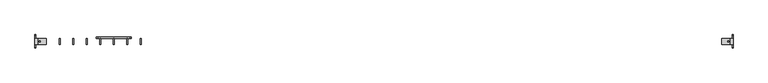
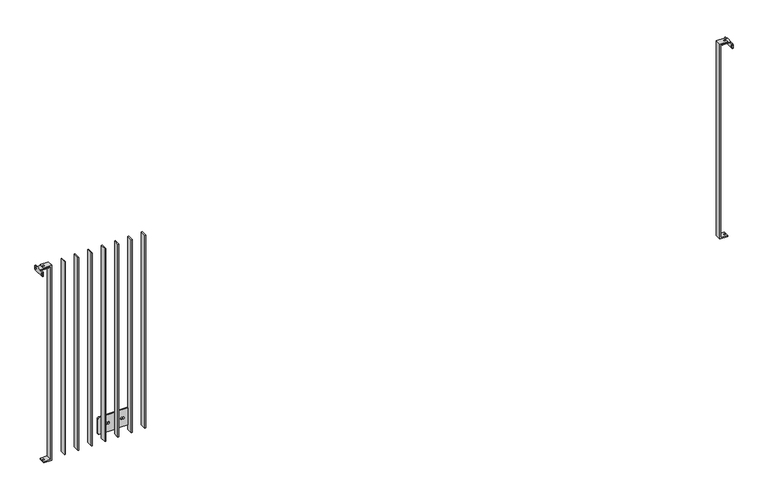
"""IFC4 building model written with IfcOpenShell, lengths in millimetres: railing geometry."""

from ifc_helpers import new_model, si_unit, frame, origin, place, context, project, spatial, polyline, circle_curve, outline, extrude, source, transform, mapped, element, save
from ifc_brep_helpers import plane_surface, cylinder_surface, revolved_surface, advanced_brep


def railing_ba596400(model_context):
    return source(origin(), model_context, "Body", "SolidModel", [
        extrude(outline(polyline([(8837.4711935, -1089.1783245), (8843.4711935, -1089.1783245), (8843.4711935, -1129.1783245), (8837.4711935, -1129.1783245), (8837.4711935, -1089.1783245)])), frame((0.0, 0.0, -182.0), z_axis=(0.0, 0.0, 1.0), x_axis=(1.0, 0.0, 0.0)), (0.0, 0.0, 1.0), 1374.0),
        extrude(outline(polyline([(8747.4711935, -1089.1783245), (8753.4711935, -1089.1783245), (8753.4711935, -1129.1783245), (8747.4711935, -1129.1783245), (8747.4711935, -1089.1783245)])), frame((0.0, 0.0, -182.0), z_axis=(0.0, 0.0, 1.0), x_axis=(1.0, 0.0, 0.0)), (0.0, 0.0, 1.0), 1374.0),
        advanced_brep(
        [(8657.4711935, -1129.1783245, 1192.0), (8657.4711935, -1129.1783245, -182.0), (8663.4711935, -1129.1783245, -182.0), (8663.4711935, -1129.1783245, 1192.0), (8657.4711935, -1089.1783245, 1192.0), (8663.4711935, -1089.1783245, 1192.0), (8663.4711935, -1089.1783245, -30.0), (8657.4711935, -1089.1783245, -30.0), (8663.4711935, -1089.1783245, -182.0), (8657.4711935, -1089.1783245, -182.0), (8657.4711935, -1089.1783245, -150.0), (8663.4711935, -1089.1783245, -150.0), (8765.4711935, -1081.1783245, -150.0), (8555.4711935, -1081.1783245, -150.0), (8545.4711935, -1081.1783245, -140.0), (8545.4711935, -1081.1783245, -40.0), (8555.4711935, -1081.1783245, -30.0), (8765.4711935, -1081.1783245, -30.0), (8775.4711935, -1081.1783245, -40.0), (8775.4711935, -1081.1783245, -140.0), (8615.4711935, -1081.1783245, -97.0), (8615.4711935, -1081.1783245, -83.0), (8605.4711935, -1081.1783245, -83.0), (8605.4711935, -1081.1783245, -97.0), (8705.4711935, -1081.1783245, -97.0), (8715.4711935, -1081.1783245, -97.0), (8715.4711935, -1081.1783245, -83.0), (8705.4711935, -1081.1783245, -83.0), (8765.4711935, -1089.1783245, -150.0), (8775.4711935, -1089.1783245, -140.0), (8775.4711935, -1089.1783245, -40.0), (8765.4711935, -1089.1783245, -30.0), (8705.4711935, -1089.1783245, -97.0), (8705.4711935, -1089.1783245, -83.0), (8715.4711935, -1089.1783245, -83.0), (8715.4711935, -1089.1783245, -97.0), (8555.4711935, -1089.1783245, -30.0), (8545.4711935, -1089.1783245, -40.0), (8545.4711935, -1089.1783245, -140.0), (8555.4711935, -1089.1783245, -150.0), (8615.4711935, -1089.1783245, -97.0), (8605.4711935, -1089.1783245, -97.0), (8605.4711935, -1089.1783245, -83.0), (8615.4711935, -1089.1783245, -83.0)],
        [
            (0, 1),
            (1, 2),
            (2, 3),
            (3, 0),
            (4, 5),
            (5, 6),
            (6, 7),
            (7, 4),
            (8, 9),
            (9, 10),
            (10, 11),
            (11, 8),
            (3, 5),
            (4, 0),
            (7, 10),
            (9, 1),
            (2, 8),
            (11, 6),
            (12, 13),
            (13, 14, circle_curve(frame((8555.4711935, -1081.1783245, -140.0), z_axis=(0.0, 1.0, 0.0), x_axis=(-1.0, 0.0, 0.0)), 10.0)),
            (14, 15),
            (15, 16, circle_curve(frame((8555.4711935, -1081.1783245, -40.0), z_axis=(0.0, 1.0, 0.0), x_axis=(-1.0, 0.0, 0.0)), 10.0)),
            (16, 17),
            (17, 18, circle_curve(frame((8765.4711935, -1081.1783245, -40.0), z_axis=(0.0, 1.0, 0.0), x_axis=(-1.0, 0.0, 0.0)), 10.0)),
            (18, 19),
            (19, 12, circle_curve(frame((8765.4711935, -1081.1783245, -140.0), z_axis=(0.0, 1.0, 0.0), x_axis=(-1.0, 0.0, 0.0)), 10.0)),
            (20, 21, circle_curve(frame((8615.4711935, -1081.1783245, -90.0), z_axis=(0.0, -1.0, 0.0), x_axis=(-1.0, 0.0, 0.0)), 7.0)),
            (21, 22),
            (22, 23, circle_curve(frame((8605.4711935, -1081.1783245, -90.0), z_axis=(0.0, -1.0, 0.0), x_axis=(-1.0, 0.0, 0.0)), 7.0)),
            (23, 20),
            (24, 25),
            (25, 26, circle_curve(frame((8715.4711935, -1081.1783245, -90.0), z_axis=(0.0, -1.0, 0.0), x_axis=(-1.0, 0.0, 0.0)), 7.0)),
            (26, 27),
            (27, 24, circle_curve(frame((8705.4711935, -1081.1783245, -90.0), z_axis=(0.0, -1.0, 0.0), x_axis=(-1.0, 0.0, 0.0)), 7.0)),
            (28, 29, circle_curve(frame((8765.4711935, -1089.1783245, -140.0), z_axis=(0.0, -1.0, 0.0), x_axis=(-1.0, 0.0, 0.0)), 10.0)),
            (29, 30),
            (30, 31, circle_curve(frame((8765.4711935, -1089.1783245, -40.0), z_axis=(0.0, -1.0, 0.0), x_axis=(-1.0, 0.0, 0.0)), 10.0)),
            (31, 6),
            (11, 28),
            (32, 33, circle_curve(frame((8705.4711935, -1089.1783245, -90.0), z_axis=(0.0, 1.0, 0.0), x_axis=(-1.0, 0.0, 0.0)), 7.0)),
            (33, 34),
            (34, 35, circle_curve(frame((8715.4711935, -1089.1783245, -90.0), z_axis=(0.0, 1.0, 0.0), x_axis=(-1.0, 0.0, 0.0)), 7.0)),
            (35, 32),
            (36, 37, circle_curve(frame((8555.4711935, -1089.1783245, -40.0), z_axis=(0.0, -1.0, 0.0), x_axis=(-1.0, 0.0, 0.0)), 10.0)),
            (37, 38),
            (38, 39, circle_curve(frame((8555.4711935, -1089.1783245, -140.0), z_axis=(0.0, -1.0, 0.0), x_axis=(-1.0, 0.0, 0.0)), 10.0)),
            (39, 10),
            (7, 36),
            (40, 41),
            (41, 42, circle_curve(frame((8605.4711935, -1089.1783245, -90.0), z_axis=(0.0, 1.0, 0.0), x_axis=(-1.0, 0.0, 0.0)), 7.0)),
            (42, 43),
            (43, 40, circle_curve(frame((8615.4711935, -1089.1783245, -90.0), z_axis=(0.0, 1.0, 0.0), x_axis=(-1.0, 0.0, 0.0)), 7.0)),
            (12, 28),
            (39, 13),
            (38, 14),
            (37, 15),
            (36, 16),
            (31, 17),
            (30, 18),
            (29, 19),
            (20, 40),
            (43, 21),
            (42, 22),
            (41, 23),
            (24, 32),
            (35, 25),
            (34, 26),
            (33, 27),
        ],
        [
            plane_surface(frame((8657.4711935, -1129.1783245, 1192.0), z_axis=(0.0, -1.0, 0.0), x_axis=(-1.0, 0.0, 0.0))),
            plane_surface(frame((8657.4711935, -1089.1783245, 1192.0), z_axis=(0.0, 1.0, 0.0), x_axis=(1.0, 0.0, 0.0))),
            plane_surface(frame((8657.4711935, -1089.1783245, 1192.0), z_axis=(0.0, 0.0, 1.0), x_axis=(0.0, -1.0, 0.0))),
            plane_surface(frame((8657.4711935, -1089.1783245, -182.0), z_axis=(-1.0, 0.0, 0.0), x_axis=(0.0, -1.0, 0.0))),
            plane_surface(frame((8663.4711935, -1089.1783245, 1192.0), z_axis=(1.0, 0.0, 0.0), x_axis=(0.0, -1.0, 0.0))),
            plane_surface(frame((8570.4711935, -1081.1783245, -150.0), z_axis=(0.0, 1.0, 0.0), x_axis=(-1.0, 0.0, 0.0))),
            plane_surface(frame((8570.4711935, -1089.1783245, -150.0), z_axis=(0.0, -1.0, 0.0), x_axis=(1.0, 0.0, 0.0))),
            plane_surface(frame((8765.4711935, -1081.1783245, -150.0), z_axis=(0.0, 0.0, -1.0), x_axis=(0.0, -1.0, 0.0))),
            cylinder_surface(frame((8555.4711935, -1089.1783245, -140.0), z_axis=(0.0, 1.0, 0.0), x_axis=(-1.0, 0.0, 0.0)), 10.0),
            plane_surface(frame((8545.4711935, -1081.1783245, -140.0), z_axis=(-1.0, 0.0, 0.0), x_axis=(0.0, -1.0, 0.0))),
            cylinder_surface(frame((8555.4711935, -1089.1783245, -40.0), z_axis=(0.0, 1.0, 0.0), x_axis=(-1.0, 0.0, 0.0)), 10.0),
            plane_surface(frame((8555.4711935, -1081.1783245, -30.0), z_axis=(0.0, 0.0, 1.0), x_axis=(0.0, -1.0, 0.0))),
            cylinder_surface(frame((8765.4711935, -1089.1783245, -40.0), z_axis=(0.0, 1.0, 0.0), x_axis=(-1.0, 0.0, 0.0)), 10.0),
            plane_surface(frame((8775.4711935, -1081.1783245, -40.0), z_axis=(1.0, 0.0, 0.0), x_axis=(0.0, -1.0, 0.0))),
            cylinder_surface(frame((8765.4711935, -1089.1783245, -140.0), z_axis=(0.0, 1.0, 0.0), x_axis=(-1.0, 0.0, 0.0)), 10.0),
            revolved_surface(polyline([(8608.4711935, -1089.1783245, -90.0), (8608.4711935, -1081.1783245, -90.0)]), (8615.4711935, -1109.1783245, -90.0), (0.0, -1.0, 0.0)),
            plane_surface(frame((8615.4711935, -1081.1783245, -83.0), z_axis=(0.0, 0.0, -1.0), x_axis=(0.0, -1.0, 0.0))),
            revolved_surface(polyline([(8598.4711935, -1089.1783245, -90.0), (8598.4711935, -1081.1783245, -90.0)]), (8605.4711935, -1109.1783245, -90.0), (0.0, -1.0, 0.0)),
            plane_surface(frame((8605.4711935, -1081.1783245, -97.0), z_axis=(0.0, 0.0, 1.0), x_axis=(0.0, -1.0, 0.0))),
            plane_surface(frame((8705.4711935, -1081.1783245, -97.0), z_axis=(0.0, 0.0, 1.0), x_axis=(0.0, -1.0, 0.0))),
            revolved_surface(polyline([(8708.4711935, -1089.1783245, -90.0), (8708.4711935, -1081.1783245, -90.0)]), (8715.4711935, -1109.1783245, -90.0), (0.0, -1.0, 0.0)),
            plane_surface(frame((8715.4711935, -1081.1783245, -83.0), z_axis=(0.0, 0.0, -1.0), x_axis=(0.0, -1.0, 0.0))),
            revolved_surface(polyline([(8698.4711935, -1089.1783245, -90.0), (8698.4711935, -1081.1783245, -90.0)]), (8705.4711935, -1109.1783245, -90.0), (0.0, -1.0, 0.0)),
            plane_surface(frame((8663.4711935, -1089.1783245, -182.0), z_axis=(0.0, 0.0, -1.0), x_axis=(0.0, -1.0, 0.0))),
        ],
        [
            (0, [[1, 2, 3, 4]]),
            (1, [[5, 6, 7, 8]]),
            (1, [[9, 10, 11, 12]]),
            (2, [[-4, 13, -5, 14]]),
            (3, [[-1, -14, -8, 15, -10, 16]]),
            (4, [[-3, 17, -12, 18, -6, -13]]),
            (5, [[19, 20, 21, 22, 23, 24, 25, 26], [27, 28, 29, 30], [31, 32, 33, 34]]),
            (6, [[35, 36, 37, 38, -18, 39], [40, 41, 42, 43]]),
            (6, [[44, 45, 46, 47, -15, 48], [49, 50, 51, 52]]),
            (7, [[-19, 53, -39, -11, -47, 54]]),
            (8, [[-20, -54, -46, 55]]),
            (9, [[-21, -55, -45, 56]]),
            (10, [[-22, -56, -44, 57]]),
            (11, [[-23, -57, -48, -7, -38, 58]]),
            (12, [[-24, -58, -37, 59]]),
            (13, [[-25, -59, -36, 60]]),
            (14, [[-26, -60, -35, -53]]),
            (15, [[-27, 61, -52, 62]]),
            (16, [[-28, -62, -51, 63]]),
            (17, [[-29, -63, -50, 64]]),
            (18, [[-30, -64, -49, -61]]),
            (19, [[-31, 65, -43, 66]]),
            (20, [[-32, -66, -42, 67]]),
            (21, [[-33, -67, -41, 68]]),
            (22, [[-34, -68, -40, -65]]),
            (23, [[-2, -16, -9, -17]]),
        ],
    ),
        extrude(outline(polyline([(8567.4711935, -1089.1783245), (8573.4711935, -1089.1783245), (8573.4711935, -1129.1783245), (8567.4711935, -1129.1783245), (8567.4711935, -1089.1783245)])), frame((0.0, 0.0, -182.0), z_axis=(0.0, 0.0, 1.0), x_axis=(1.0, 0.0, 0.0)), (0.0, 0.0, 1.0), 1374.0),
        extrude(outline(polyline([(8477.4711935, -1089.1783245), (8483.4711935, -1089.1783245), (8483.4711935, -1129.1783245), (8477.4711935, -1129.1783245), (8477.4711935, -1089.1783245)])), frame((0.0, 0.0, -182.0), z_axis=(0.0, 0.0, 1.0), x_axis=(1.0, 0.0, 0.0)), (0.0, 0.0, 1.0), 1374.0),
        extrude(outline(polyline([(8387.4711935, -1089.1783245), (8393.4711935, -1089.1783245), (8393.4711935, -1129.1783245), (8387.4711935, -1129.1783245), (8387.4711935, -1089.1783245)])), frame((0.0, 0.0, -182.0), z_axis=(0.0, 0.0, 1.0), x_axis=(1.0, 0.0, 0.0)), (0.0, 0.0, 1.0), 1374.0),
        extrude(outline(polyline([(8297.4711935, -1089.1783245), (8303.4711935, -1089.1783245), (8303.4711935, -1129.1783245), (8297.4711935, -1129.1783245), (8297.4711935, -1089.1783245)])), frame((0.0, 0.0, -182.0), z_axis=(0.0, 0.0, 1.0), x_axis=(1.0, 0.0, 0.0)), (0.0, 0.0, 1.0), 1374.0),
        advanced_brep(
        [(12710.4711935, -1129.1783245, 1200.0), (12710.4711935, -1129.1783245, -190.0), (12763.4711935, -1129.1783245, -190.0), (12763.4711935, -1129.1783245, -182.0), (12716.4711935, -1129.1783245, -182.0), (12716.4711935, -1129.1783245, 1192.0), (12763.4711935, -1129.1783245, 1192.0), (12763.4711935, -1129.1783245, 1200.0), (12710.4711935, -1089.1783245, 1200.0), (12763.4711935, -1089.1783245, 1200.0), (12763.4711935, -1089.1783245, 1192.0), (12716.4711935, -1089.1783245, 1192.0), (12716.4711935, -1089.1783245, -182.0), (12763.4711935, -1089.1783245, -182.0), (12763.4711935, -1089.1783245, -190.0), (12710.4711935, -1089.1783245, -190.0), (12757.9711935, -1109.1783245, -190.0), (12748.9711935, -1109.1783245, -190.0), (12748.9711935, -1109.1783245, -182.0), (12757.9711935, -1109.1783245, -182.0), (12757.9711935, -1109.1783245, 1192.0), (12748.9711935, -1109.1783245, 1192.0), (12748.9711935, -1109.1783245, 1200.0), (12757.9711935, -1109.1783245, 1200.0)],
        [
            (0, 1),
            (1, 2),
            (2, 3),
            (3, 4),
            (4, 5),
            (5, 6),
            (6, 7),
            (7, 0),
            (8, 9),
            (9, 10),
            (10, 11),
            (11, 12),
            (12, 13),
            (13, 14),
            (14, 15),
            (15, 8),
            (0, 8),
            (15, 1),
            (14, 2),
            (16, 17, circle_curve(frame((12753.4711935, -1109.1783245, -190.0), z_axis=(0.0, 0.0, 1.0), x_axis=(1.0, 0.0, 0.0)), 4.5)),
            (17, 16, circle_curve(frame((12753.4711935, -1109.1783245, -190.0), z_axis=(0.0, 0.0, 1.0), x_axis=(1.0, 0.0, 0.0)), 4.5)),
            (13, 3),
            (12, 4),
            (18, 19, circle_curve(frame((12753.4711935, -1109.1783245, -182.0), z_axis=(0.0, 0.0, -1.0), x_axis=(1.0, 0.0, 0.0)), 4.5)),
            (19, 18, circle_curve(frame((12753.4711935, -1109.1783245, -182.0), z_axis=(0.0, 0.0, -1.0), x_axis=(1.0, 0.0, 0.0)), 4.5)),
            (11, 5),
            (10, 6),
            (20, 21, circle_curve(frame((12753.4711935, -1109.1783245, 1192.0), z_axis=(0.0, 0.0, 1.0), x_axis=(1.0, 0.0, 0.0)), 4.5)),
            (21, 20, circle_curve(frame((12753.4711935, -1109.1783245, 1192.0), z_axis=(0.0, 0.0, 1.0), x_axis=(1.0, 0.0, 0.0)), 4.5)),
            (9, 7),
            (22, 23, circle_curve(frame((12753.4711935, -1109.1783245, 1200.0), z_axis=(0.0, 0.0, -1.0), x_axis=(1.0, 0.0, 0.0)), 4.5)),
            (23, 22, circle_curve(frame((12753.4711935, -1109.1783245, 1200.0), z_axis=(0.0, 0.0, -1.0), x_axis=(1.0, 0.0, 0.0)), 4.5)),
            (16, 19),
            (18, 17),
            (20, 23),
            (22, 21),
        ],
        [
            plane_surface(frame((12710.4711935, -1129.1783245, 1200.0), z_axis=(0.0, -1.0, 0.0), x_axis=(-1.0, 0.0, 0.0))),
            plane_surface(frame((12710.4711935, -1089.1783245, 1200.0), z_axis=(0.0, 1.0, 0.0), x_axis=(1.0, 0.0, 0.0))),
            plane_surface(frame((12710.4711935, -1089.1783245, -190.0), z_axis=(-1.0, 0.0, 0.0), x_axis=(0.0, -1.0, 0.0))),
            plane_surface(frame((12763.4711935, -1089.1783245, -190.0), z_axis=(0.0, 0.0, -1.0), x_axis=(0.0, -1.0, 0.0))),
            plane_surface(frame((12763.4711935, -1089.1783245, -182.0), z_axis=(1.0, 0.0, 1.737451849059295e-12), x_axis=(0.0, -1.0, 0.0))),
            plane_surface(frame((12716.4711935, -1089.1783245, -182.0), z_axis=(0.0, 0.0, 1.0), x_axis=(0.0, -1.0, 0.0))),
            plane_surface(frame((12716.4711935, -1089.1783245, 1192.0), z_axis=(1.0, 0.0, 0.0), x_axis=(0.0, -1.0, 0.0))),
            plane_surface(frame((12763.4711935, -1089.1783245, 1192.0), z_axis=(0.0, 0.0, -1.0), x_axis=(0.0, -1.0, 0.0))),
            plane_surface(frame((12763.4711935, -1089.1783245, 1200.0), z_axis=(1.0, 0.0, 0.0), x_axis=(0.0, -1.0, 0.0))),
            plane_surface(frame((12710.4711935, -1089.1783245, 1200.0), z_axis=(0.0, 0.0, 1.0), x_axis=(0.0, -1.0, 0.0))),
            revolved_surface(polyline([(12757.9711935, -1109.1783245, -182.0), (12757.9711935, -1109.1783245, -190.0)]), (12753.4711935, -1109.1783245, -800.0), (0.0, 0.0, 1.0)),
            revolved_surface(polyline([(12757.9711935, -1109.1783245, 1200.0), (12757.9711935, -1109.1783245, 1192.0)]), (12753.4711935, -1109.1783245, -800.0), (0.0, 0.0, 1.0)),
        ],
        [
            (0, [[1, 2, 3, 4, 5, 6, 7, 8]]),
            (1, [[9, 10, 11, 12, 13, 14, 15, 16]]),
            (2, [[-1, 17, -16, 18]]),
            (3, [[-2, -18, -15, 19], [20, 21]]),
            (4, [[-3, -19, -14, 22]]),
            (5, [[-4, -22, -13, 23], [24, 25]]),
            (6, [[-5, -23, -12, 26]]),
            (7, [[-6, -26, -11, 27], [28, 29]]),
            (8, [[-7, -27, -10, 30]]),
            (9, [[-8, -30, -9, -17], [31, 32]]),
            (10, [[33, -24, 34, -20]]),
            (11, [[35, -31, 36, -28]]),
            (10, [[-33, -21, -34, -25]]),
            (11, [[-35, -29, -36, -32]]),
        ],
    ),
        advanced_brep(
        [(12785.4711935, -1129.1783245, 1192.0), (12785.4711935, -1089.1783245, 1192.0), (12730.4711935, -1089.1783245, 1192.0), (12725.4711935, -1094.1783245, 1192.0), (12725.4711935, -1124.1783245, 1192.0), (12730.4711935, -1129.1783245, 1192.0), (12757.4711935, -1113.6783245, 1192.0), (12737.4711935, -1113.6783245, 1192.0), (12737.4711935, -1104.6783245, 1192.0), (12757.4711935, -1104.6783245, 1192.0), (12730.4711935, -1129.1783245, 1187.0), (12725.4711935, -1124.1783245, 1187.0), (12725.4711935, -1094.1783245, 1187.0), (12730.4711935, -1089.1783245, 1187.0), (12780.4711935, -1089.1783245, 1187.0), (12780.4711935, -1129.1783245, 1187.0), (12757.4711935, -1113.6783245, 1187.0), (12757.4711935, -1104.6783245, 1187.0), (12737.4711935, -1104.6783245, 1187.0), (12737.4711935, -1113.6783245, 1187.0), (12785.4711935, -1129.1783245, 1187.0), (12785.4711935, -1089.1783245, 1187.0), (12785.4711935, -1149.1783245, 1187.0), (12785.4711935, -1154.1783245, 1182.0), (12785.4711935, -1154.1783245, 1162.0), (12785.4711935, -1149.1783245, 1157.0), (12785.4711935, -1069.1783245, 1157.0), (12785.4711935, -1064.1783245, 1162.0), (12785.4711935, -1064.1783245, 1182.0), (12785.4711935, -1069.1783245, 1187.0), (12785.4711935, -1078.1783245, 1172.0), (12785.4711935, -1069.1783245, 1172.0), (12785.4711935, -1149.1783245, 1172.0), (12785.4711935, -1140.1783245, 1172.0), (12780.4711935, -1154.1783245, 1162.0), (12780.4711935, -1154.1783245, 1182.0), (12780.4711935, -1149.1783245, 1187.0), (12780.4711935, -1069.1783245, 1187.0), (12780.4711935, -1064.1783245, 1182.0), (12780.4711935, -1064.1783245, 1162.0), (12780.4711935, -1069.1783245, 1157.0), (12780.4711935, -1149.1783245, 1157.0), (12780.4711935, -1078.1783245, 1172.0), (12780.4711935, -1069.1783245, 1172.0), (12780.4711935, -1149.1783245, 1172.0), (12780.4711935, -1140.1783245, 1172.0)],
        [
            (0, 1),
            (1, 2),
            (2, 3, circle_curve(frame((12730.4711935, -1094.1783245, 1192.0), z_axis=(0.0, 0.0, 1.0), x_axis=(0.0, 1.0, 0.0)), 5.0)),
            (3, 4),
            (4, 5, circle_curve(frame((12730.4711935, -1124.1783245, 1192.0), z_axis=(0.0, 0.0, 1.0), x_axis=(0.0, 1.0, 0.0)), 5.0)),
            (5, 0),
            (6, 7),
            (7, 8, circle_curve(frame((12737.4711935, -1109.1783245, 1192.0), z_axis=(0.0, 0.0, -1.0), x_axis=(0.0, 1.0, 0.0)), 4.5)),
            (8, 9),
            (9, 6, circle_curve(frame((12757.4711935, -1109.1783245, 1192.0), z_axis=(0.0, 0.0, -1.0), x_axis=(0.0, 1.0, 0.0)), 4.5)),
            (10, 11, circle_curve(frame((12730.4711935, -1124.1783245, 1187.0), z_axis=(0.0, 0.0, -1.0), x_axis=(0.0, 1.0, 0.0)), 5.0)),
            (11, 12),
            (12, 13, circle_curve(frame((12730.4711935, -1094.1783245, 1187.0), z_axis=(0.0, 0.0, -1.0), x_axis=(0.0, 1.0, 0.0)), 5.0)),
            (13, 14),
            (14, 15),
            (15, 10),
            (16, 17, circle_curve(frame((12757.4711935, -1109.1783245, 1187.0), z_axis=(0.0, 0.0, 1.0), x_axis=(0.0, 1.0, 0.0)), 4.5)),
            (17, 18),
            (18, 19, circle_curve(frame((12737.4711935, -1109.1783245, 1187.0), z_axis=(0.0, 0.0, 1.0), x_axis=(0.0, 1.0, 0.0)), 4.5)),
            (19, 16),
            (5, 10),
            (15, 20),
            (20, 0),
            (3, 12),
            (11, 4),
            (1, 21),
            (21, 14),
            (13, 2),
            (20, 22),
            (22, 23, circle_curve(frame((12785.4711935, -1149.1783245, 1182.0), z_axis=(1.0, 0.0, 0.0), x_axis=(0.0, 1.0, 0.0)), 5.0)),
            (23, 24),
            (24, 25, circle_curve(frame((12785.4711935, -1149.1783245, 1162.0), z_axis=(1.0, 0.0, 0.0), x_axis=(0.0, 1.0, 0.0)), 5.0)),
            (25, 26),
            (26, 27, circle_curve(frame((12785.4711935, -1069.1783245, 1162.0), z_axis=(1.0, 0.0, 0.0), x_axis=(0.0, 1.0, 0.0)), 5.0)),
            (27, 28),
            (28, 29, circle_curve(frame((12785.4711935, -1069.1783245, 1182.0), z_axis=(1.0, 0.0, 0.0), x_axis=(0.0, 1.0, 0.0)), 5.0)),
            (29, 21),
            (30, 31, circle_curve(frame((12785.4711935, -1073.6783245, 1172.0), z_axis=(-1.0, 0.0, 0.0), x_axis=(0.0, 1.0, 0.0)), 4.5)),
            (31, 30, circle_curve(frame((12785.4711935, -1073.6783245, 1172.0), z_axis=(-1.0, 0.0, 0.0), x_axis=(0.0, 1.0, 0.0)), 4.5)),
            (32, 33, circle_curve(frame((12785.4711935, -1144.6783245, 1172.0), z_axis=(-1.0, 0.0, 0.0), x_axis=(0.0, 1.0, 0.0)), 4.5)),
            (33, 32, circle_curve(frame((12785.4711935, -1144.6783245, 1172.0), z_axis=(-1.0, 0.0, 0.0), x_axis=(0.0, 1.0, 0.0)), 4.5)),
            (9, 17),
            (16, 6),
            (8, 18),
            (7, 19),
            (34, 35),
            (35, 36, circle_curve(frame((12780.4711935, -1149.1783245, 1182.0), z_axis=(-1.0, 0.0, 0.0), x_axis=(0.0, 1.0, 0.0)), 5.0)),
            (36, 15),
            (14, 37),
            (37, 38, circle_curve(frame((12780.4711935, -1069.1783245, 1182.0), z_axis=(-1.0, 0.0, 0.0), x_axis=(0.0, 1.0, 0.0)), 5.0)),
            (38, 39),
            (39, 40, circle_curve(frame((12780.4711935, -1069.1783245, 1162.0), z_axis=(-1.0, 0.0, 0.0), x_axis=(0.0, 1.0, 0.0)), 5.0)),
            (40, 41),
            (41, 34, circle_curve(frame((12780.4711935, -1149.1783245, 1162.0), z_axis=(-1.0, 0.0, 0.0), x_axis=(0.0, 1.0, 0.0)), 5.0)),
            (42, 43, circle_curve(frame((12780.4711935, -1073.6783245, 1172.0), z_axis=(1.0, 0.0, 0.0), x_axis=(0.0, 1.0, 0.0)), 4.5)),
            (43, 42, circle_curve(frame((12780.4711935, -1073.6783245, 1172.0), z_axis=(1.0, 0.0, 0.0), x_axis=(0.0, 1.0, 0.0)), 4.5)),
            (44, 45, circle_curve(frame((12780.4711935, -1144.6783245, 1172.0), z_axis=(1.0, 0.0, 0.0), x_axis=(0.0, 1.0, 0.0)), 4.5)),
            (45, 44, circle_curve(frame((12780.4711935, -1144.6783245, 1172.0), z_axis=(1.0, 0.0, 0.0), x_axis=(0.0, 1.0, 0.0)), 4.5)),
            (41, 25),
            (24, 34),
            (40, 26),
            (39, 27),
            (38, 28),
            (37, 29),
            (36, 22),
            (35, 23),
            (43, 31),
            (30, 42),
            (45, 33),
            (32, 44),
        ],
        [
            plane_surface(frame((12785.4711935, -1089.1783245, 1192.0), z_axis=(0.0, 0.0, 1.0), x_axis=(0.0, 1.0, 0.0))),
            plane_surface(frame((12785.4711935, -1089.1783245, 1187.0), z_axis=(0.0, 0.0, -1.0), x_axis=(0.0, -1.0, 0.0))),
            plane_surface(frame((12730.4711935, -1129.1783245, 1192.0), z_axis=(0.0, -1.0, 0.0), x_axis=(0.0, 0.0, -1.0))),
            plane_surface(frame((12725.4711935, -1094.1783245, 1192.0), z_axis=(-1.0, 0.0, 0.0), x_axis=(0.0, 0.0, -1.0))),
            plane_surface(frame((12785.4711935, -1089.1783245, 1192.0), z_axis=(0.0, 1.0, 0.0), x_axis=(0.0, 0.0, -1.0))),
            plane_surface(frame((12785.4711935, -1129.1783245, 1192.0), z_axis=(1.0, 0.0, 0.0), x_axis=(0.0, 0.0, -1.0))),
            revolved_surface(polyline([(12757.4711935, -1104.6783245, 1187.0), (12757.4711935, -1104.6783245, 1192.0)]), (12757.4711935, -1109.1783245, -182.0), (0.0, 0.0, -1.0)),
            plane_surface(frame((12737.4711935, -1104.6783245, 1192.0), z_axis=(0.0, -1.0, 0.0), x_axis=(0.0, 0.0, -1.0))),
            revolved_surface(polyline([(12737.4711935, -1104.6783245, 1187.0), (12737.4711935, -1104.6783245, 1192.0)]), (12737.4711935, -1109.1783245, -182.0), (0.0, 0.0, -1.0)),
            plane_surface(frame((12757.4711935, -1113.6783245, 1192.0), z_axis=(0.0, 1.0, 0.0), x_axis=(0.0, 0.0, -1.0))),
            cylinder_surface(frame((12730.4711935, -1124.1783245, 1187.0), z_axis=(0.0, 0.0, 1.0), x_axis=(0.0, 1.0, 0.0)), 5.0),
            cylinder_surface(frame((12730.4711935, -1094.1783245, 1187.0), z_axis=(0.0, 0.0, 1.0), x_axis=(0.0, 1.0, 0.0)), 5.0),
            plane_surface(frame((12780.4711935, -1154.1783245, 1182.0), z_axis=(-1.0, 0.0, 0.0), x_axis=(0.0, 0.0, 1.0))),
            cylinder_surface(frame((12785.4711935, -1149.1783245, 1162.0), z_axis=(-1.0, 0.0, 0.0), x_axis=(0.0, 1.0, 0.0)), 5.0),
            plane_surface(frame((12780.4711935, -1069.1783245, 1157.0), z_axis=(0.0, 0.0, -1.0), x_axis=(1.0, 0.0, 0.0))),
            cylinder_surface(frame((12785.4711935, -1069.1783245, 1162.0), z_axis=(-1.0, 0.0, 0.0), x_axis=(0.0, 1.0, 0.0)), 5.0),
            plane_surface(frame((12780.4711935, -1064.1783245, 1182.0), z_axis=(0.0, 1.0, -1.4537068216276442e-11), x_axis=(1.0, 0.0, 0.0))),
            cylinder_surface(frame((12785.4711935, -1069.1783245, 1182.0), z_axis=(-1.0, 0.0, 0.0), x_axis=(0.0, 1.0, 0.0)), 5.0),
            plane_surface(frame((12780.4711935, -1149.1783245, 1187.0), z_axis=(0.0, 3.634372802707756e-12, 1.0), x_axis=(1.0, 0.0, 0.0))),
            cylinder_surface(frame((12785.4711935, -1149.1783245, 1182.0), z_axis=(-1.0, 0.0, 0.0), x_axis=(0.0, 1.0, 0.0)), 5.0),
            plane_surface(frame((12780.4711935, -1154.1783245, 1162.0), z_axis=(0.0, -1.0, 0.0), x_axis=(1.0, 0.0, 0.0))),
            revolved_surface(polyline([(12785.4711935, -1069.1783245, 1172.0), (12780.4711935, -1069.1783245, 1172.0)]), (12710.4711935, -1073.6783245, 1172.0), (1.0, 0.0, 0.0)),
            revolved_surface(polyline([(12785.4711935, -1140.1783245, 1172.0), (12780.4711935, -1140.1783245, 1172.0)]), (12710.4711935, -1144.6783245, 1172.0), (1.0, 0.0, 0.0)),
        ],
        [
            (0, [[1, 2, 3, 4, 5, 6], [7, 8, 9, 10]]),
            (1, [[11, 12, 13, 14, 15, 16], [17, 18, 19, 20]]),
            (2, [[-6, 21, -16, 22, 23]]),
            (3, [[-4, 24, -12, 25]]),
            (4, [[-2, 26, 27, -14, 28]]),
            (5, [[-1, -23, 29, 30, 31, 32, 33, 34, 35, 36, 37, -26], [38, 39], [40, 41]]),
            (6, [[-10, 42, -17, 43]]),
            (7, [[-9, 44, -18, -42]]),
            (8, [[-8, 45, -19, -44]]),
            (9, [[-7, -43, -20, -45]]),
            (10, [[-5, -25, -11, -21]]),
            (11, [[-3, -28, -13, -24]]),
            (12, [[46, 47, 48, -15, 49, 50, 51, 52, 53, 54], [55, 56], [57, 58]]),
            (13, [[-54, 59, -32, 60]]),
            (14, [[-53, 61, -33, -59]]),
            (15, [[-52, 62, -34, -61]]),
            (16, [[-51, 63, -35, -62]]),
            (17, [[-50, 64, -36, -63]]),
            (18, [[-64, -49, -27, -37]]),
            (18, [[65, -29, -22, -48]]),
            (19, [[-47, 66, -30, -65]]),
            (20, [[-46, -60, -31, -66]]),
            (21, [[-56, 67, -38, 68]]),
            (21, [[-55, -68, -39, -67]]),
            (22, [[-58, 69, -40, 70]]),
            (22, [[-57, -70, -41, -69]]),
        ],
    ),
        advanced_brep(
        [(8210.4711935, -1129.1783245, 1200.0), (8157.4711935, -1129.1783245, 1200.0), (8157.4711935, -1129.1783245, 1192.0), (8204.4711935, -1129.1783245, 1192.0), (8204.4711935, -1129.1783245, -182.0), (8157.4711935, -1129.1783245, -182.0), (8157.4711935, -1129.1783245, -190.0), (8210.4711935, -1129.1783245, -190.0), (8210.4711935, -1089.1783245, 1200.0), (8210.4711935, -1089.1783245, -190.0), (8157.4711935, -1089.1783245, -190.0), (8157.4711935, -1089.1783245, -182.0), (8204.4711935, -1089.1783245, -182.0), (8204.4711935, -1089.1783245, 1192.0), (8157.4711935, -1089.1783245, 1192.0), (8157.4711935, -1089.1783245, 1200.0), (8171.9711935, -1109.1783245, -190.0), (8162.9711935, -1109.1783245, -190.0), (8162.9711935, -1109.1783245, -182.0), (8171.9711935, -1109.1783245, -182.0), (8171.9711935, -1109.1783245, 1192.0), (8162.9711935, -1109.1783245, 1192.0), (8162.9711935, -1109.1783245, 1200.0), (8171.9711935, -1109.1783245, 1200.0)],
        [
            (0, 1),
            (1, 2),
            (2, 3),
            (3, 4),
            (4, 5),
            (5, 6),
            (6, 7),
            (7, 0),
            (8, 9),
            (9, 10),
            (10, 11),
            (11, 12),
            (12, 13),
            (13, 14),
            (14, 15),
            (15, 8),
            (7, 9),
            (8, 0),
            (6, 10),
            (16, 17, circle_curve(frame((8167.4711935, -1109.1783245, -190.0), z_axis=(0.0, 0.0, 1.0), x_axis=(-1.0, 0.0, 0.0)), 4.5)),
            (17, 16, circle_curve(frame((8167.4711935, -1109.1783245, -190.0), z_axis=(0.0, 0.0, 1.0), x_axis=(-1.0, 0.0, 0.0)), 4.5)),
            (5, 11),
            (4, 12),
            (18, 19, circle_curve(frame((8167.4711935, -1109.1783245, -182.0), z_axis=(0.0, 0.0, -1.0), x_axis=(-1.0, 0.0, 0.0)), 4.5)),
            (19, 18, circle_curve(frame((8167.4711935, -1109.1783245, -182.0), z_axis=(0.0, 0.0, -1.0), x_axis=(-1.0, 0.0, 0.0)), 4.5)),
            (3, 13),
            (2, 14),
            (20, 21, circle_curve(frame((8167.4711935, -1109.1783245, 1192.0), z_axis=(0.0, 0.0, 1.0), x_axis=(-1.0, 0.0, 0.0)), 4.5)),
            (21, 20, circle_curve(frame((8167.4711935, -1109.1783245, 1192.0), z_axis=(0.0, 0.0, 1.0), x_axis=(-1.0, 0.0, 0.0)), 4.5)),
            (1, 15),
            (22, 23, circle_curve(frame((8167.4711935, -1109.1783245, 1200.0), z_axis=(0.0, 0.0, -1.0), x_axis=(-1.0, 0.0, 0.0)), 4.5)),
            (23, 22, circle_curve(frame((8167.4711935, -1109.1783245, 1200.0), z_axis=(0.0, 0.0, -1.0), x_axis=(-1.0, 0.0, 0.0)), 4.5)),
            (16, 19),
            (18, 17),
            (20, 23),
            (22, 21),
        ],
        [
            plane_surface(frame((8210.4711935, -1129.1783245, -190.0), z_axis=(0.0, -1.0, 0.0), x_axis=(0.0, 0.0, 1.0))),
            plane_surface(frame((8210.4711935, -1089.1783245, -190.0), z_axis=(0.0, 1.0, 0.0), x_axis=(0.0, 0.0, -1.0))),
            plane_surface(frame((8210.4711935, -1089.1783245, 1200.0), z_axis=(1.0, 0.0, 0.0), x_axis=(0.0, -1.0, 0.0))),
            plane_surface(frame((8210.4711935, -1089.1783245, -190.0), z_axis=(0.0, 0.0, -1.0), x_axis=(0.0, -1.0, 0.0))),
            plane_surface(frame((8157.4711935, -1089.1783245, -190.0), z_axis=(-1.0, 0.0, -2.172079183183034e-12), x_axis=(0.0, -1.0, 0.0))),
            plane_surface(frame((8157.4711935, -1089.1783245, -182.0), z_axis=(0.0, 0.0, 1.0), x_axis=(0.0, -1.0, 0.0))),
            plane_surface(frame((8204.4711935, -1089.1783245, -182.0), z_axis=(-1.0, 0.0, 0.0), x_axis=(0.0, -1.0, 0.0))),
            plane_surface(frame((8204.4711935, -1089.1783245, 1192.0), z_axis=(0.0, 0.0, -1.0), x_axis=(0.0, -1.0, 0.0))),
            plane_surface(frame((8157.4711935, -1089.1783245, 1192.0), z_axis=(-1.0, 0.0, 0.0), x_axis=(0.0, -1.0, 0.0))),
            plane_surface(frame((8157.4711935, -1089.1783245, 1200.0), z_axis=(0.0, 0.0, 1.0), x_axis=(0.0, -1.0, 0.0))),
            revolved_surface(polyline([(8162.9711935, -1109.1783245, -182.0), (8162.9711935, -1109.1783245, -190.0)]), (8167.4711935, -1109.1783245, -800.0), (0.0, 0.0, 1.0)),
            revolved_surface(polyline([(8162.9711935, -1109.1783245, 1200.0), (8162.9711935, -1109.1783245, 1192.0)]), (8167.4711935, -1109.1783245, -800.0), (0.0, 0.0, 1.0)),
        ],
        [
            (0, [[1, 2, 3, 4, 5, 6, 7, 8]]),
            (1, [[9, 10, 11, 12, 13, 14, 15, 16]]),
            (2, [[-8, 17, -9, 18]]),
            (3, [[-7, 19, -10, -17], [20, 21]]),
            (4, [[-6, 22, -11, -19]]),
            (5, [[-5, 23, -12, -22], [24, 25]]),
            (6, [[-4, 26, -13, -23]]),
            (7, [[-3, 27, -14, -26], [28, 29]]),
            (8, [[-2, 30, -15, -27]]),
            (9, [[-1, -18, -16, -30], [31, 32]]),
            (10, [[33, -24, 34, -20]]),
            (11, [[35, -31, 36, -28]]),
            (10, [[-33, -21, -34, -25]]),
            (11, [[-35, -29, -36, -32]]),
        ],
    ),
        advanced_brep(
        [(8135.4711935, -1129.1783245, 1192.0), (8190.4711935, -1129.1783245, 1192.0), (8195.4711935, -1124.1783245, 1192.0), (8195.4711935, -1094.1783245, 1192.0), (8190.4711935, -1089.1783245, 1192.0), (8135.4711935, -1089.1783245, 1192.0), (8163.4711935, -1113.6783245, 1192.0), (8163.4711935, -1104.6783245, 1192.0), (8183.4711935, -1104.6783245, 1192.0), (8183.4711935, -1113.6783245, 1192.0), (8190.4711935, -1089.1783245, 1187.0), (8195.4711935, -1094.1783245, 1187.0), (8195.4711935, -1124.1783245, 1187.0), (8190.4711935, -1129.1783245, 1187.0), (8140.4711935, -1129.1783245, 1187.0), (8140.4711935, -1089.1783245, 1187.0), (8163.4711935, -1113.6783245, 1187.0), (8183.4711935, -1113.6783245, 1187.0), (8183.4711935, -1104.6783245, 1187.0), (8163.4711935, -1104.6783245, 1187.0), (8135.4711935, -1129.1783245, 1187.0), (8135.4711935, -1089.1783245, 1187.0), (8135.4711935, -1069.1783245, 1187.0), (8135.4711935, -1064.1783245, 1182.0), (8135.4711935, -1064.1783245, 1162.0), (8135.4711935, -1069.1783245, 1157.0), (8135.4711935, -1149.1783245, 1157.0), (8135.4711935, -1154.1783245, 1162.0), (8135.4711935, -1154.1783245, 1182.0), (8135.4711935, -1149.1783245, 1187.0), (8135.4711935, -1078.1783245, 1172.0), (8135.4711935, -1069.1783245, 1172.0), (8135.4711935, -1149.1783245, 1172.0), (8135.4711935, -1140.1783245, 1172.0), (8140.4711935, -1154.1783245, 1162.0), (8140.4711935, -1149.1783245, 1157.0), (8140.4711935, -1069.1783245, 1157.0), (8140.4711935, -1064.1783245, 1162.0), (8140.4711935, -1064.1783245, 1182.0), (8140.4711935, -1069.1783245, 1187.0), (8140.4711935, -1149.1783245, 1187.0), (8140.4711935, -1154.1783245, 1182.0), (8140.4711935, -1078.1783245, 1172.0), (8140.4711935, -1069.1783245, 1172.0), (8140.4711935, -1149.1783245, 1172.0), (8140.4711935, -1140.1783245, 1172.0)],
        [
            (0, 1),
            (1, 2, circle_curve(frame((8190.4711935, -1124.1783245, 1192.0), z_axis=(0.0, 0.0, 1.0), x_axis=(0.0, 1.0, 0.0)), 5.0)),
            (2, 3),
            (3, 4, circle_curve(frame((8190.4711935, -1094.1783245, 1192.0), z_axis=(0.0, 0.0, 1.0), x_axis=(0.0, 1.0, 0.0)), 5.0)),
            (4, 5),
            (5, 0),
            (6, 7, circle_curve(frame((8163.4711935, -1109.1783245, 1192.0), z_axis=(0.0, 0.0, -1.0), x_axis=(0.0, 1.0, 0.0)), 4.5)),
            (7, 8),
            (8, 9, circle_curve(frame((8183.4711935, -1109.1783245, 1192.0), z_axis=(0.0, 0.0, -1.0), x_axis=(0.0, 1.0, 0.0)), 4.5)),
            (9, 6),
            (10, 11, circle_curve(frame((8190.4711935, -1094.1783245, 1187.0), z_axis=(0.0, 0.0, -1.0), x_axis=(0.0, 1.0, 0.0)), 5.0)),
            (11, 12),
            (12, 13, circle_curve(frame((8190.4711935, -1124.1783245, 1187.0), z_axis=(0.0, 0.0, -1.0), x_axis=(0.0, 1.0, 0.0)), 5.0)),
            (13, 14),
            (14, 15),
            (15, 10),
            (16, 17),
            (17, 18, circle_curve(frame((8183.4711935, -1109.1783245, 1187.0), z_axis=(0.0, 0.0, 1.0), x_axis=(0.0, 1.0, 0.0)), 4.5)),
            (18, 19),
            (19, 16, circle_curve(frame((8163.4711935, -1109.1783245, 1187.0), z_axis=(0.0, 0.0, 1.0), x_axis=(0.0, 1.0, 0.0)), 4.5)),
            (0, 20),
            (20, 14),
            (13, 1),
            (2, 12),
            (11, 3),
            (4, 10),
            (15, 21),
            (21, 5),
            (21, 22),
            (22, 23, circle_curve(frame((8135.4711935, -1069.1783245, 1182.0), z_axis=(-1.0, 0.0, 0.0), x_axis=(0.0, 1.0, 0.0)), 5.0)),
            (23, 24),
            (24, 25, circle_curve(frame((8135.4711935, -1069.1783245, 1162.0), z_axis=(-1.0, 0.0, 0.0), x_axis=(0.0, 1.0, 0.0)), 5.0)),
            (25, 26),
            (26, 27, circle_curve(frame((8135.4711935, -1149.1783245, 1162.0), z_axis=(-1.0, 0.0, 0.0), x_axis=(0.0, 1.0, 0.0)), 5.0)),
            (27, 28),
            (28, 29, circle_curve(frame((8135.4711935, -1149.1783245, 1182.0), z_axis=(-1.0, 0.0, 0.0), x_axis=(0.0, 1.0, 0.0)), 5.0)),
            (29, 20),
            (30, 31, circle_curve(frame((8135.4711935, -1073.6783245, 1172.0), z_axis=(1.0, 0.0, 0.0), x_axis=(0.0, 1.0, 0.0)), 4.5)),
            (31, 30, circle_curve(frame((8135.4711935, -1073.6783245, 1172.0), z_axis=(1.0, 0.0, 0.0), x_axis=(0.0, 1.0, 0.0)), 4.5)),
            (32, 33, circle_curve(frame((8135.4711935, -1144.6783245, 1172.0), z_axis=(1.0, 0.0, 0.0), x_axis=(0.0, 1.0, 0.0)), 4.5)),
            (33, 32, circle_curve(frame((8135.4711935, -1144.6783245, 1172.0), z_axis=(1.0, 0.0, 0.0), x_axis=(0.0, 1.0, 0.0)), 4.5)),
            (6, 16),
            (19, 7),
            (18, 8),
            (17, 9),
            (34, 35, circle_curve(frame((8140.4711935, -1149.1783245, 1162.0), z_axis=(1.0, 0.0, 0.0), x_axis=(0.0, 1.0, 0.0)), 5.0)),
            (35, 36),
            (36, 37, circle_curve(frame((8140.4711935, -1069.1783245, 1162.0), z_axis=(1.0, 0.0, 0.0), x_axis=(0.0, 1.0, 0.0)), 5.0)),
            (37, 38),
            (38, 39, circle_curve(frame((8140.4711935, -1069.1783245, 1182.0), z_axis=(1.0, 0.0, 0.0), x_axis=(0.0, 1.0, 0.0)), 5.0)),
            (39, 15),
            (14, 40),
            (40, 41, circle_curve(frame((8140.4711935, -1149.1783245, 1182.0), z_axis=(1.0, 0.0, 0.0), x_axis=(0.0, 1.0, 0.0)), 5.0)),
            (41, 34),
            (42, 43, circle_curve(frame((8140.4711935, -1073.6783245, 1172.0), z_axis=(-1.0, 0.0, 0.0), x_axis=(0.0, 1.0, 0.0)), 4.5)),
            (43, 42, circle_curve(frame((8140.4711935, -1073.6783245, 1172.0), z_axis=(-1.0, 0.0, 0.0), x_axis=(0.0, 1.0, 0.0)), 4.5)),
            (44, 45, circle_curve(frame((8140.4711935, -1144.6783245, 1172.0), z_axis=(-1.0, 0.0, 0.0), x_axis=(0.0, 1.0, 0.0)), 4.5)),
            (45, 44, circle_curve(frame((8140.4711935, -1144.6783245, 1172.0), z_axis=(-1.0, 0.0, 0.0), x_axis=(0.0, 1.0, 0.0)), 4.5)),
            (34, 27),
            (26, 35),
            (25, 36),
            (24, 37),
            (23, 38),
            (22, 39),
            (29, 40),
            (28, 41),
            (42, 30),
            (31, 43),
            (44, 32),
            (33, 45),
        ],
        [
            plane_surface(frame((8135.4711935, -1129.1783245, 1192.0), z_axis=(0.0, 0.0, 1.0), x_axis=(1.0, 0.0, 0.0))),
            plane_surface(frame((8135.4711935, -1129.1783245, 1187.0), z_axis=(0.0, 0.0, -1.0), x_axis=(-1.0, 0.0, 0.0))),
            plane_surface(frame((8135.4711935, -1129.1783245, 1192.0), z_axis=(0.0, -1.0, 0.0), x_axis=(0.0, 0.0, -1.0))),
            plane_surface(frame((8195.4711935, -1124.1783245, 1192.0), z_axis=(1.0, 0.0, 0.0), x_axis=(0.0, 0.0, -1.0))),
            plane_surface(frame((8190.4711935, -1089.1783245, 1192.0), z_axis=(0.0, 1.0, 0.0), x_axis=(0.0, 0.0, -1.0))),
            plane_surface(frame((8135.4711935, -1089.1783245, 1192.0), z_axis=(-1.0, 0.0, 0.0), x_axis=(0.0, 0.0, -1.0))),
            revolved_surface(polyline([(8163.4711935, -1104.6783245, 1187.0), (8163.4711935, -1104.6783245, 1192.0)]), (8163.4711935, -1109.1783245, -182.0), (0.0, 0.0, -1.0)),
            plane_surface(frame((8163.4711935, -1104.6783245, 1192.0), z_axis=(0.0, -1.0, 0.0), x_axis=(0.0, 0.0, -1.0))),
            revolved_surface(polyline([(8183.4711935, -1104.6783245, 1187.0), (8183.4711935, -1104.6783245, 1192.0)]), (8183.4711935, -1109.1783245, -182.0), (0.0, 0.0, -1.0)),
            plane_surface(frame((8183.4711935, -1113.6783245, 1192.0), z_axis=(0.0, 1.0, 0.0), x_axis=(0.0, 0.0, -1.0))),
            cylinder_surface(frame((8190.4711935, -1124.1783245, 1187.0), z_axis=(0.0, 0.0, 1.0), x_axis=(0.0, 1.0, 0.0)), 5.0),
            cylinder_surface(frame((8190.4711935, -1094.1783245, 1187.0), z_axis=(0.0, 0.0, 1.0), x_axis=(0.0, 1.0, 0.0)), 5.0),
            plane_surface(frame((8140.4711935, -1144.1783245, 1162.0), z_axis=(1.0, 0.0, 0.0), x_axis=(0.0, 0.0, 1.0))),
            cylinder_surface(frame((8135.4711935, -1149.1783245, 1162.0), z_axis=(1.0, 0.0, 0.0), x_axis=(0.0, 1.0, 0.0)), 5.0),
            plane_surface(frame((8140.4711935, -1149.1783245, 1157.0), z_axis=(0.0, 0.0, -1.0), x_axis=(-1.0, 0.0, 0.0))),
            cylinder_surface(frame((8135.4711935, -1069.1783245, 1162.0), z_axis=(1.0, 0.0, 0.0), x_axis=(0.0, 1.0, 0.0)), 5.0),
            plane_surface(frame((8140.4711935, -1064.1783245, 1162.0), z_axis=(0.0, 1.0, -1.4517187452576266e-11), x_axis=(-1.0, 0.0, 0.0))),
            cylinder_surface(frame((8135.4711935, -1069.1783245, 1182.0), z_axis=(1.0, 0.0, 0.0), x_axis=(0.0, 1.0, 0.0)), 5.0),
            plane_surface(frame((8140.4711935, -1069.1783245, 1187.0), z_axis=(0.0, 3.6309888429158077e-12, 1.0), x_axis=(-1.0, 0.0, 0.0))),
            cylinder_surface(frame((8135.4711935, -1149.1783245, 1182.0), z_axis=(1.0, 0.0, 0.0), x_axis=(0.0, 1.0, 0.0)), 5.0),
            plane_surface(frame((8140.4711935, -1154.1783245, 1182.0), z_axis=(0.0, -1.0, -1.4161871675153267e-11), x_axis=(-1.0, 0.0, 0.0))),
            revolved_surface(polyline([(8135.4711935, -1069.1783245, 1172.0), (8140.4711935, -1069.1783245, 1172.0)]), (8210.4711935, -1073.6783245, 1172.0), (-1.0, 0.0, 0.0)),
            revolved_surface(polyline([(8135.4711935, -1140.1783245, 1172.0), (8140.4711935, -1140.1783245, 1172.0)]), (8210.4711935, -1144.6783245, 1172.0), (-1.0, 0.0, 0.0)),
        ],
        [
            (0, [[1, 2, 3, 4, 5, 6], [7, 8, 9, 10]]),
            (1, [[11, 12, 13, 14, 15, 16], [17, 18, 19, 20]]),
            (2, [[-1, 21, 22, -14, 23]]),
            (3, [[-3, 24, -12, 25]]),
            (4, [[-5, 26, -16, 27, 28]]),
            (5, [[-6, -28, 29, 30, 31, 32, 33, 34, 35, 36, 37, -21], [38, 39], [40, 41]]),
            (6, [[-7, 42, -20, 43]]),
            (7, [[-8, -43, -19, 44]]),
            (8, [[-9, -44, -18, 45]]),
            (9, [[-10, -45, -17, -42]]),
            (10, [[-2, -23, -13, -24]]),
            (11, [[-4, -25, -11, -26]]),
            (12, [[46, 47, 48, 49, 50, 51, -15, 52, 53, 54], [55, 56], [57, 58]]),
            (13, [[-46, 59, -34, 60]]),
            (14, [[-47, -60, -33, 61]]),
            (15, [[-48, -61, -32, 62]]),
            (16, [[-49, -62, -31, 63]]),
            (17, [[-50, -63, -30, 64]]),
            (18, [[-64, -29, -27, -51]]),
            (18, [[65, -52, -22, -37]]),
            (19, [[-53, -65, -36, 66]]),
            (20, [[-54, -66, -35, -59]]),
            (21, [[-55, 67, -39, 68]]),
            (21, [[-56, -68, -38, -67]]),
            (22, [[-57, 69, -41, 70]]),
            (22, [[-58, -70, -40, -69]]),
        ],
    ),
    ])


if __name__ == "__main__":
    model = new_model("IFC4")
    model_context = context("Model", 3, world=origin())
    ifc_project = project(units=[si_unit("LENGTHUNIT", "METRE", prefix="MILLI")], contexts=[model_context])
    site = spatial("IfcSite", under=ifc_project)
    building = spatial("IfcBuilding", under=site)
    placement = place(None, origin())
    railing_shape = railing_ba596400(model_context)
    element("IfcRailing", 1, at=placement, inside=building, context=model_context, shape_type="MappedRepresentation", body=[
        mapped(railing_shape, transform((0.0, 0.0, 0.0), x_axis=(1.0, 0.0, 0.0), y_axis=(0.0, 1.0, 0.0), z_axis=(0.0, 0.0, 1.0))),
    ])
    save(model, "model.ifc")
